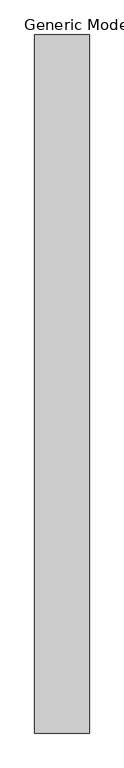
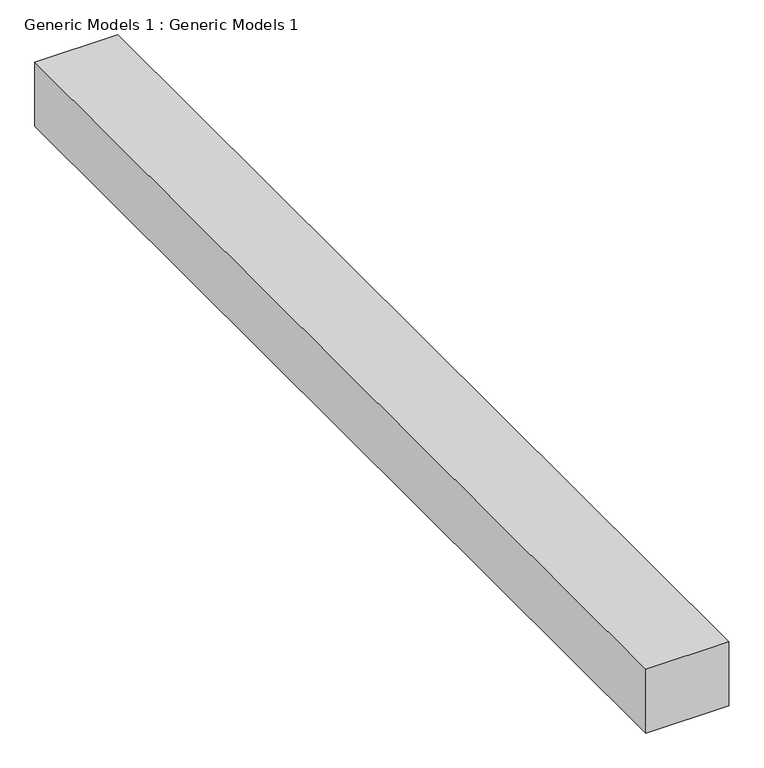
"""IFC4 building model written with IfcOpenShell, lengths in millimetres: proxy geometry, Generic Models 1 : Generic Models 1."""

from ifc_helpers import new_model, si_unit, frame, origin, place, context, project, spatial, polyline, outline, extrude, source, transform, mapped, element, save


def generic_models_1_generic_models_1_9384ed17(model_context):
    return source(origin(), model_context, "Body", "SweptSolid", [
        extrude(outline(polyline([(-5069.3905521, 6828.2457587), (-5069.3905521, 2121.8397997), (-5437.9518568, 2121.8397997), (-5437.9518568, 6828.2457587), (-5069.3905521, 6828.2457587)])), frame((0.0, 0.0, 2300.0), z_axis=(0.0, 0.0, 1.0), x_axis=(1.0, 0.0, 0.0)), (0.0, 0.0, 1.0), 300.0),
    ])


if __name__ == "__main__":
    model = new_model("IFC4")
    model_context = context("Model", 3, world=origin())
    ifc_project = project(units=[si_unit("LENGTHUNIT", "METRE", prefix="MILLI")], contexts=[model_context])
    site = spatial("IfcSite", under=ifc_project)
    building = spatial("IfcBuilding", under=site)
    placement = place(None, origin())
    generic_models_1_generic_models_1_shape = generic_models_1_generic_models_1_9384ed17(model_context)
    element("IfcBuildingElementProxy", 1, Name="Generic Models 1 : Generic Models 1", ObjectType="Generic Models 1 : Generic Models 1", at=placement, inside=building, context=model_context, shape_type="MappedRepresentation", body=[
        mapped(generic_models_1_generic_models_1_shape, transform((0.0, 0.0, 0.0), x_axis=(1.0, 0.0, 0.0), y_axis=(0.0, 1.0, 0.0), z_axis=(0.0, 0.0, 1.0))),
    ])
    save(model, "model.ifc")
